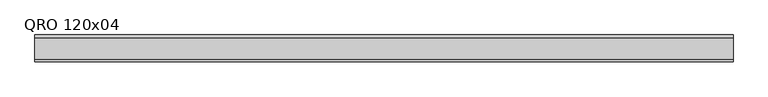
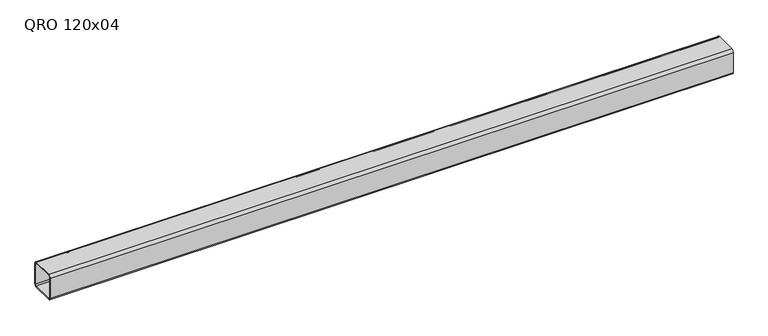
"""IFC4 building model written with IfcOpenShell, lengths in millimetres: beam geometry, QRO 120x04."""

from ifc_helpers import new_model, si_unit, point, frame, frame_2d, origin, place, context, project, spatial, polyline, circle_curve, trimmed, segment, composite_curve, outline, extrude, source, transform, mapped, element, save


def qro_120x04_eacdbd1e(model_context):
    return source(origin(), model_context, "Body", "SweptSolid", [
        extrude(outline(composite_curve([segment(polyline([(60.0, 48.0), (60.0, -48.0)]), True, "CONTINUOUS"), segment(trimmed(circle_curve(frame_2d((48.0, -48.0)), 12.0), [point((60.0, -48.0))], [point((48.0, -60.0))], False, "CARTESIAN"), True, "CONTINUOUS"), segment(polyline([(48.0, -60.0), (-48.0, -60.0)]), True, "CONTINUOUS"), segment(trimmed(circle_curve(frame_2d((-48.0, -48.0)), 12.0), [point((-48.0, -60.0))], [point((-60.0, -48.0))], False, "CARTESIAN"), True, "CONTINUOUS"), segment(polyline([(-60.0, -48.0), (-60.0, 48.0)]), True, "CONTINUOUS"), segment(trimmed(circle_curve(frame_2d((-48.0, 48.0)), 12.0), [point((-60.0, 48.0))], [point((-48.0, 60.0))], False, "CARTESIAN"), True, "CONTINUOUS"), segment(polyline([(-48.0, 60.0), (48.0, 60.0)]), True, "CONTINUOUS"), segment(trimmed(circle_curve(frame_2d((48.0, 48.0)), 12.0), [point((48.0, 60.0))], [point((60.0, 48.0))], False, "CARTESIAN"), True, "CONTINUOUS")], self_intersect=False), holes=[composite_curve([segment(trimmed(circle_curve(frame_2d((-48.0, 48.0)), 6.0), [point((-48.0, 54.0))], [point((-54.0, 48.0))], True, "CARTESIAN"), True, "CONTINUOUS"), segment(polyline([(-54.0, 48.0), (-54.0, -48.0)]), True, "CONTINUOUS"), segment(trimmed(circle_curve(frame_2d((-48.0, -48.0)), 6.0), [point((-54.0, -48.0))], [point((-48.0, -54.0))], True, "CARTESIAN"), True, "CONTINUOUS"), segment(polyline([(-48.0, -54.0), (48.0, -54.0)]), True, "CONTINUOUS"), segment(trimmed(circle_curve(frame_2d((48.0, -48.0)), 6.0), [point((48.0, -54.0))], [point((54.0, -48.0))], True, "CARTESIAN"), True, "CONTINUOUS"), segment(polyline([(54.0, -48.0), (54.0, 48.0)]), True, "CONTINUOUS"), segment(trimmed(circle_curve(frame_2d((48.0, 48.0)), 6.0), [point((54.0, 48.0))], [point((48.0, 54.0))], True, "CARTESIAN"), True, "CONTINUOUS"), segment(polyline([(48.0, 54.0), (-48.0, 54.0)]), True, "CONTINUOUS")], self_intersect=False)]), frame((-1567.6877315, 0.0, 0.0), z_axis=(1.0, 0.0, 0.0), x_axis=(0.0, 1.0, 0.0)), (0.0, 0.0, 1.0), 3100.6805403),
    ])


if __name__ == "__main__":
    model = new_model("IFC4")
    model_context = context("Model", 3, world=origin())
    ifc_project = project(units=[si_unit("LENGTHUNIT", "METRE", prefix="MILLI")], contexts=[model_context])
    site = spatial("IfcSite", under=ifc_project)
    building = spatial("IfcBuilding", under=site)
    placement = place(None, origin())
    qro_120x04_shape = qro_120x04_eacdbd1e(model_context)
    element("IfcBeam", 1, ObjectType="QRO 120x04", at=placement, inside=building, context=model_context, shape_type="MappedRepresentation", body=[
        mapped(qro_120x04_shape, transform((0.0, 0.0, 0.0), x_axis=(1.0, 0.0, 0.0), y_axis=(0.0, 1.0, 0.0), z_axis=(0.0, 0.0, 1.0))),
    ])
    save(model, "model.ifc")
